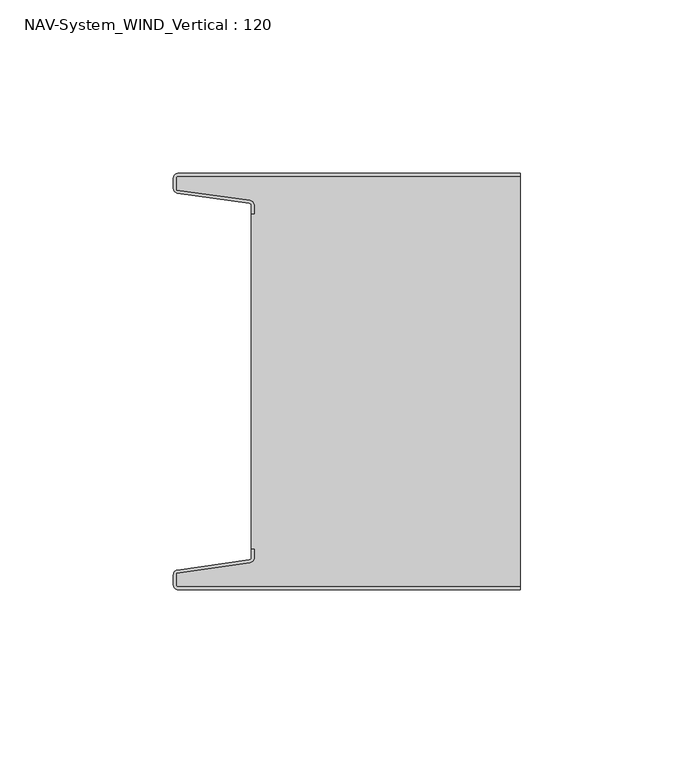
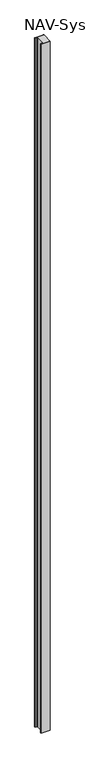
"""IFC4 building model written with IfcOpenShell, lengths in millimetres: plate geometry, NAV-System_WIND_Vertical : 120."""

from ifc_helpers import new_model, si_unit, point, frame_2d, origin, origin_with_axes, place, context, project, spatial, polyline, circle_curve, trimmed, segment, composite_curve, outline, extrude, source, transform, mapped, element, save


def nav_system_wind_vertical_120_81666e31(model_context):
    return source(origin(), model_context, "Body", "SweptSolid", [
        extrude(outline(composite_curve([segment(trimmed(circle_curve(frame_2d((-48.7, -118.7)), 1.3), [point((-48.7, -120.0))], [point((-50.0, -118.7))], False, "CARTESIAN"), True, "CONTINUOUS"), segment(polyline([(-50.0, -118.7), (-50.0, -115.6299809)]), True, "CONTINUOUS"), segment(trimmed(circle_curve(frame_2d((-48.7, -115.6299809)), 1.3), [point((-50.0, -115.6299809))], [point((-48.8810287, -114.342647))], False, "CARTESIAN"), True, "CONTINUOUS"), segment(polyline([(-48.8810287, -114.342647), (-28.102523, -111.4207123)]), True, "CONTINUOUS"), segment(trimmed(circle_curve(frame_2d((-28.2, -110.7275325)), 0.7), [point((-28.102523, -111.4207123))], [point((-27.5, -110.7275325))], True, "CARTESIAN"), True, "CONTINUOUS"), segment(polyline([(-27.5, -110.7275325), (-27.5, -108.3275325), (-26.7, -108.3275325), (-26.7, -110.7275325)]), True, "CONTINUOUS"), segment(trimmed(circle_curve(frame_2d((-28.2, -110.7275325)), 1.5), [point((-26.7, -110.7275325))], [point((-27.9911207, -112.2129178))], False, "CARTESIAN"), True, "CONTINUOUS"), segment(polyline([(-27.9911207, -112.2129178), (-49.2, -115.1953728), (-49.2, -118.7)]), True, "CONTINUOUS"), segment(trimmed(circle_curve(frame_2d((-48.7, -118.7)), 0.5), [point((-49.2, -118.7))], [point((-48.7, -119.2))], True, "CARTESIAN"), True, "CONTINUOUS"), segment(polyline([(-48.7, -119.2), (50.0, -119.2), (50.0, -120.0), (-48.7, -120.0)]), True, "CONTINUOUS")], self_intersect=False)), origin_with_axes(), (0.0, 0.0, 1.0), 8000.0),
        extrude(outline(composite_curve([segment(trimmed(circle_curve(frame_2d((-48.7, -1.3)), 0.5), [point((-48.7, -0.8))], [point((-49.2, -1.3))], True, "CARTESIAN"), True, "CONTINUOUS"), segment(polyline([(-49.2, -1.3), (-49.2, -4.8046272), (-27.9911207, -7.7870822)]), True, "CONTINUOUS"), segment(trimmed(circle_curve(frame_2d((-28.2, -9.2724675)), 1.5), [point((-27.9911207, -7.7870822))], [point((-26.7, -9.2724675))], False, "CARTESIAN"), True, "CONTINUOUS"), segment(polyline([(-26.7, -9.2724675), (-26.7, -11.6724675), (-27.5, -11.6724675), (-27.5, -9.2724675)]), True, "CONTINUOUS"), segment(trimmed(circle_curve(frame_2d((-28.2, -9.2724675)), 0.7), [point((-27.5, -9.2724675))], [point((-28.102523, -8.5792877))], True, "CARTESIAN"), True, "CONTINUOUS"), segment(polyline([(-28.102523, -8.5792877), (-48.8810287, -5.657353)]), True, "CONTINUOUS"), segment(trimmed(circle_curve(frame_2d((-48.7, -4.3700191)), 1.3), [point((-48.8810287, -5.657353))], [point((-50.0, -4.3700191))], False, "CARTESIAN"), True, "CONTINUOUS"), segment(polyline([(-50.0, -4.3700191), (-50.0, -1.3)]), True, "CONTINUOUS"), segment(trimmed(circle_curve(frame_2d((-48.7, -1.3)), 1.3), [point((-50.0, -1.3))], [point((-48.7, 0.0))], False, "CARTESIAN"), True, "CONTINUOUS"), segment(polyline([(-48.7, 0.0), (50.0, 0.0), (50.0, -0.8), (-48.7, -0.8)]), True, "CONTINUOUS")], self_intersect=False)), origin_with_axes(), (0.0, 0.0, 1.0), 8000.0),
        extrude(outline(composite_curve([segment(trimmed(circle_curve(frame_2d((-48.7, -118.7)), 0.5), [point((-48.7, -119.2))], [point((-49.2, -118.7))], False, "CARTESIAN"), True, "CONTINUOUS"), segment(polyline([(-49.2, -118.7), (-49.2, -115.1953728), (-27.9911207, -112.2129178)]), True, "CONTINUOUS"), segment(trimmed(circle_curve(frame_2d((-28.2, -110.7275325)), 1.5), [point((-27.9911207, -112.2129178))], [point((-26.7, -110.7275325))], True, "CARTESIAN"), True, "CONTINUOUS"), segment(polyline([(-26.7, -110.7275325), (-26.7, -108.2767555), (-27.5, -108.2767555), (-27.5, -11.6767555), (-26.7, -11.6767555), (-26.7, -9.2724675)]), True, "CONTINUOUS"), segment(trimmed(circle_curve(frame_2d((-28.2, -9.2724675)), 1.5), [point((-26.7, -9.2724675))], [point((-27.9911207, -7.7870822))], True, "CARTESIAN"), True, "CONTINUOUS"), segment(polyline([(-27.9911207, -7.7870822), (-49.2, -4.8046272), (-49.2, -1.3)]), True, "CONTINUOUS"), segment(trimmed(circle_curve(frame_2d((-48.7, -1.3)), 0.5), [point((-49.2, -1.3))], [point((-48.7, -0.8))], False, "CARTESIAN"), True, "CONTINUOUS"), segment(polyline([(-48.7, -0.8), (50.0, -0.8), (50.0, -119.2), (-48.7, -119.2)]), True, "CONTINUOUS")], self_intersect=False)), origin_with_axes(), (0.0, 0.0, 1.0), 8000.0),
    ])


if __name__ == "__main__":
    model = new_model("IFC4")
    model_context = context("Model", 3, world=origin())
    ifc_project = project(units=[si_unit("LENGTHUNIT", "METRE", prefix="MILLI")], contexts=[model_context])
    site = spatial("IfcSite", under=ifc_project)
    building = spatial("IfcBuilding", under=site)
    placement = place(None, origin())
    nav_system_wind_vertical_120_shape = nav_system_wind_vertical_120_81666e31(model_context)
    element("IfcPlate", 1, ObjectType="NAV-System_WIND_Vertical : 120", at=placement, inside=building, context=model_context, shape_type="MappedRepresentation", body=[
        mapped(nav_system_wind_vertical_120_shape, transform((0.0, 0.0, 0.0), x_axis=(1.0, 0.0, 0.0), y_axis=(0.0, 1.0, 0.0), z_axis=(0.0, 0.0, 1.0))),
    ])
    save(model, "model.ifc")
